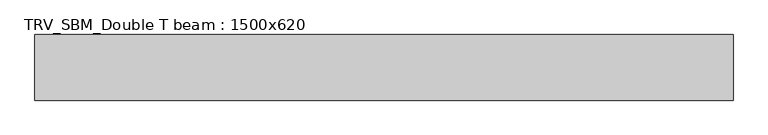
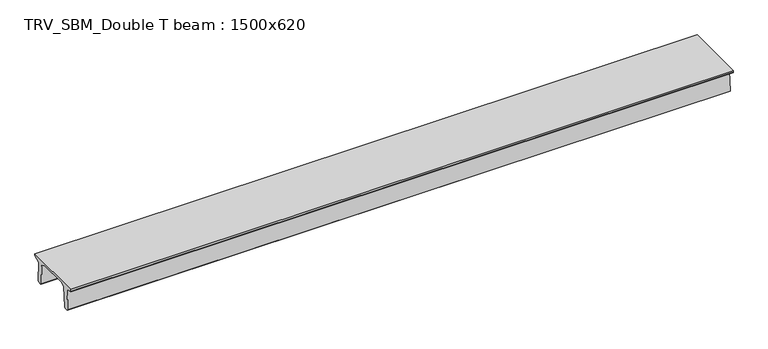
"""IFC4 building model written with IfcOpenShell, lengths in millimetres: beam geometry, TRV_SBM_Double T beam : 1500x620."""

from ifc_helpers import new_model, si_unit, frame, origin, place, context, project, spatial, polyline, outline, extrude, source, transform, mapped, element, save


def trv_sbm_double_t_beam_1500x620_576dd38b(model_context):
    return source(origin(), model_context, "Body", "SweptSolid", [
        extrude(outline(polyline([(-765.0, 215.0), (-765.0, 260.0), (735.0, 260.0), (735.0, 215.0), (728.2094488, 201.315559), (578.0626443, 140.6523122), (594.8277662, -339.4379646), (574.2657308, -360.0), (484.2657308, -360.0), (464.786332, -340.5206011), (447.8600761, 144.18395), (338.3237744, 210.0), (-367.4555014, 210.0), (-476.5389732, 151.9992892), (-507.0080378, -339.3850967), (-527.622941, -360.0), (-615.122941, -360.0), (-637.1143055, -338.0086356), (-606.1572167, 162.687806), (-761.3068466, 204.260024), (-765.0, 215.0)])), frame((-7981.0, 0.0, 0.0), z_axis=(1.0, 0.0, 0.0), x_axis=(0.0, 1.0, 0.0)), (0.0, 0.0, 1.0), 15962.0),
    ])


if __name__ == "__main__":
    model = new_model("IFC4")
    model_context = context("Model", 3, world=origin())
    ifc_project = project(units=[si_unit("LENGTHUNIT", "METRE", prefix="MILLI")], contexts=[model_context])
    site = spatial("IfcSite", under=ifc_project)
    building = spatial("IfcBuilding", under=site)
    placement = place(None, origin())
    trv_sbm_double_t_beam_1500x620_shape = trv_sbm_double_t_beam_1500x620_576dd38b(model_context)
    element("IfcBeam", 1, ObjectType="TRV_SBM_Double T beam : 1500x620", at=placement, inside=building, context=model_context, shape_type="MappedRepresentation", body=[
        mapped(trv_sbm_double_t_beam_1500x620_shape, transform((0.0, 0.0, 0.0), x_axis=(1.0, 0.0, 0.0), y_axis=(0.0, 1.0, 0.0), z_axis=(0.0, 0.0, 1.0))),
    ])
    save(model, "model.ifc")
